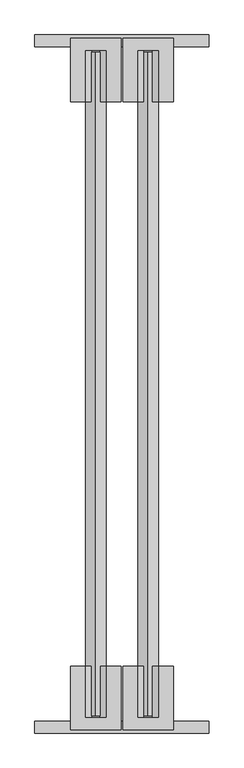
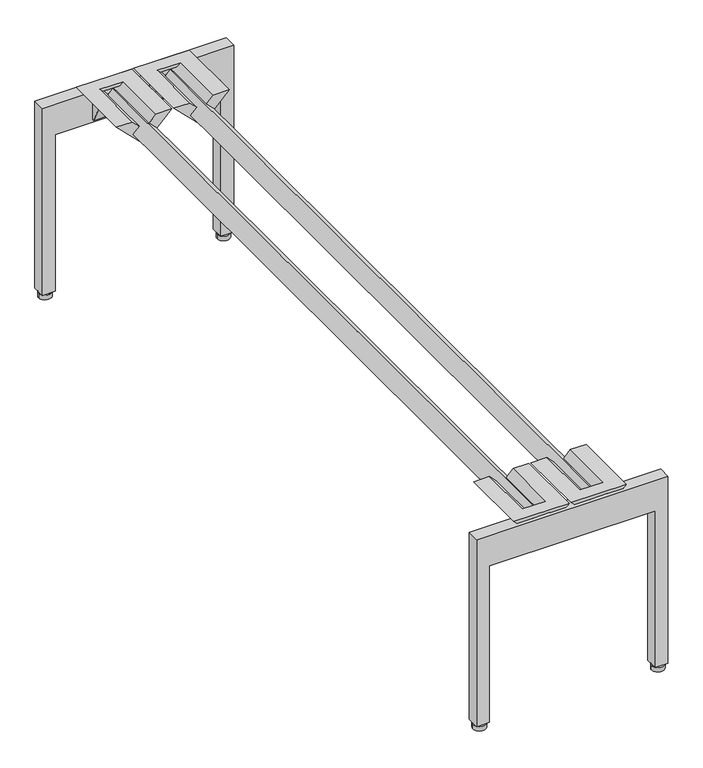
"""IFC4 building model written with IfcOpenShell, lengths in millimetres: furniture geometry."""

import ifcopenshell
import ifcopenshell.guid

model = None  # the IFC model being written
_history = None  # IfcOwnerHistory: only IFC2X3 demands one
_inside = {}  # id of a spatial element -> (the spatial element, [elements in it])
_under = {}  # id of a project, library or spatial element -> (it, [spatial elements below it])
_declared = {}  # id of a project -> (the project, [libraries it declares])
_typed = {}  # id of a type object -> (the type object, [elements of that type])
_made_of = {}  # id of a material, layer set ... -> (it, [elements and type objects made of it])


def new_model(schema):
    """Start an empty IFC model of exactly this schema.

    Asked for "IFC4X3", IfcOpenShell would pick the latest addendum, in which some entities
    have other attributes; the version numbers below select the first issue.
    IFC2X3 requires an IfcOwnerHistory on every rooted entity: one is made here for all.
    """
    global model, _history
    if schema == "IFC4X3":
        model = ifcopenshell.file(schema_version=(4, 3, 0, 0))
    else:
        model = ifcopenshell.file(schema=schema)
    _inside.clear()
    _under.clear()
    _declared.clear()
    _typed.clear()
    _made_of.clear()
    _history = None
    if model.schema == "IFC2X3":
        org = make("IfcOrganization", Name="unknown")
        user = make(
            "IfcPersonAndOrganization",
            ThePerson=make("IfcPerson", FamilyName="unknown"),
            TheOrganization=org,
        )
        app = make(
            "IfcApplication",
            ApplicationDeveloper=org,
            Version="unknown",
            ApplicationFullName="unknown",
            ApplicationIdentifier="unknown",
        )
        _history = make(
            "IfcOwnerHistory",
            OwningUser=user,
            OwningApplication=app,
            ChangeAction="ADDED",
            CreationDate=0,
        )
    return model


def make(cls, **values):
    """One entity of the class cls with the attributes given. An attribute that is None is left unset."""
    return model.create_entity(
        cls, **{name: value for name, value in values.items() if value is not None}
    )


def rooted(cls, **values):
    """An entity with a GlobalId (a new one), such as an element, a storey or a relation."""
    return make(cls, GlobalId=ifcopenshell.guid.new(), OwnerHistory=_history, **values)


def si_unit(unit_type, name, prefix=None):
    """IfcSIUnit, for example si_unit("LENGTHUNIT", "METRE", prefix="MILLI")."""
    return make("IfcSIUnit", UnitType=unit_type, Prefix=prefix, Name=name)


def assignment(units):
    """IfcUnitAssignment: the units of a project."""
    return None if units is None else make("IfcUnitAssignment", Units=units)


def point(xyz):
    """IfcCartesianPoint."""
    return None if xyz is None else make("IfcCartesianPoint", Coordinates=xyz)


def direction(xyz):
    """IfcDirection."""
    return None if xyz is None else make("IfcDirection", DirectionRatios=xyz)


def frame(location, z_axis=None, x_axis=None):
    """IfcAxis2Placement3D, a coordinate frame: its origin and axes. An axis left out is left unset."""
    return make(
        "IfcAxis2Placement3D",
        Location=point(location),
        Axis=direction(z_axis),
        RefDirection=direction(x_axis),
    )


def frame_2d(location, x_axis=None):
    """IfcAxis2Placement2D, a coordinate frame in the plane: its origin and x axis."""
    return make(
        "IfcAxis2Placement2D", Location=point(location), RefDirection=direction(x_axis)
    )


def origin():
    """The frame at (0, 0, 0) with its axes left unset."""
    return frame((0.0, 0.0, 0.0))


def origin_with_axes():
    """The frame at (0, 0, 0) with the z axis (0, 0, 1) and the x axis (1, 0, 0) written out."""
    return frame((0.0, 0.0, 0.0), z_axis=(0.0, 0.0, 1.0), x_axis=(1.0, 0.0, 0.0))


def place(relative_to, where):
    """IfcLocalPlacement: puts the frame where relative to a parent placement (None: the world)."""
    return make(
        "IfcLocalPlacement", PlacementRelTo=relative_to, RelativePlacement=where
    )


def context(
    kind, dimensions, precision=None, world=None, true_north=None, identifier=None
):
    """IfcGeometricRepresentationContext, for example the 3D "Model" context."""
    return make(
        "IfcGeometricRepresentationContext",
        ContextIdentifier=identifier,
        ContextType=kind,
        CoordinateSpaceDimension=dimensions,
        Precision=precision,
        WorldCoordinateSystem=world,
        TrueNorth=true_north,
    )


def project(units=None, contexts=None):
    """IfcProject with its units and contexts."""
    return rooted(
        "IfcProject",
        Name="project",
        RepresentationContexts=contexts,
        UnitsInContext=assignment(units),
    )


def spatial(cls, under=None, at=None, **own):
    """A site, building, storey or space (cls), placed at a placement, below another one or the project."""
    s = rooted(cls, ObjectPlacement=at, **own)
    if under is not None:
        _under.setdefault(under.id(), (under, []))[1].append(s)
    return s


def polyline(points):
    """IfcPolyline through the points."""
    return make("IfcPolyline", Points=[point(p) for p in points])


def circle_curve(where, radius):
    """IfcCircle in the frame where."""
    return make("IfcCircle", Position=where, Radius=radius)


def trimmed(basis, trim1, trim2, sense, master):
    """IfcTrimmedCurve: the piece of a basis curve between two trims."""
    return make(
        "IfcTrimmedCurve",
        BasisCurve=basis,
        Trim1=trim1,
        Trim2=trim2,
        SenseAgreement=sense,
        MasterRepresentation=master,
    )


def segment(curve, same_sense, transition):
    """IfcCompositeCurveSegment."""
    return make(
        "IfcCompositeCurveSegment",
        Transition=transition,
        SameSense=same_sense,
        ParentCurve=curve,
    )


def composite_curve(segments, self_intersect=None):
    """IfcCompositeCurve: segments joined end to end."""
    return make("IfcCompositeCurve", Segments=segments, SelfIntersect=self_intersect)


def outline(outer, holes=None, kind="AREA"):
    """IfcArbitraryClosedProfileDef: a profile drawn as a closed curve; with holes, ...WithVoids."""
    if holes is None:
        return make("IfcArbitraryClosedProfileDef", ProfileType=kind, OuterCurve=outer)
    return make(
        "IfcArbitraryProfileDefWithVoids",
        ProfileType=kind,
        OuterCurve=outer,
        InnerCurves=holes,
    )


def extrude(swept, where, along, depth):
    """IfcExtrudedAreaSolid: the profile swept, set in the frame where, extruded along a direction by depth."""
    return make(
        "IfcExtrudedAreaSolid",
        SweptArea=swept,
        Position=where,
        ExtrudedDirection=direction(along),
        Depth=depth,
    )


def faces_of(points, faces, orient=None, outer=None):
    """IfcFace entities. A face is a list of loops; a loop is a list of indices into points, from 0.

    orient and outer hold one flag for each loop. By default every Orientation is true, the
    first loop of a face is its IfcFaceOuterBound and the others are IfcFaceBound.
    """
    made = []
    for i, loops in enumerate(faces):
        bounds = []
        for j, loop in enumerate(loops):
            is_outer = j == 0 if outer is None else outer[i][j]
            bounds.append(
                make(
                    "IfcFaceOuterBound" if is_outer else "IfcFaceBound",
                    Bound=make("IfcPolyLoop", Polygon=[points[k] for k in loop]),
                    Orientation=True if orient is None else orient[i][j],
                )
            )
        made.append(make("IfcFace", Bounds=bounds))
    return made


def faceted_brep(points, faces, orient=None, outer=None, voids=None):
    """IfcFacetedBrep: a solid bounded by flat faces; with voids (closed shells), ...WithVoids."""
    shared = [point(p) for p in points]
    hull = make("IfcClosedShell", CfsFaces=faces_of(shared, faces, orient, outer))
    if voids is None:
        return make("IfcFacetedBrep", Outer=hull)
    return make(
        "IfcFacetedBrepWithVoids",
        Outer=hull,
        Voids=[
            make(cls, CfsFaces=faces_of(shared, fs, o, b)) for cls, fs, o, b in voids
        ],
    )


def shape(context_of_items, identifier, shape_type, items):
    """IfcShapeRepresentation: the items that make up one representation, for example the "Body"."""
    return make(
        "IfcShapeRepresentation",
        ContextOfItems=context_of_items,
        RepresentationIdentifier=identifier,
        RepresentationType=shape_type,
        Items=items,
    )


def source(mapping_origin, context_of_items, identifier, shape_type, items):
    """IfcRepresentationMap: a shape defined once, which mapped items show again and again."""
    return make(
        "IfcRepresentationMap",
        MappingOrigin=mapping_origin,
        MappedRepresentation=shape(context_of_items, identifier, shape_type, items),
    )


def transform(
    local_origin,
    x_axis=None,
    y_axis=None,
    z_axis=None,
    scale=None,
    scale2=None,
    scale3=None,
    uniform=True,
):
    """IfcCartesianTransformationOperator3D, or its non-uniform kind. x_axis, y_axis, z_axis: its Axis1, 2, 3."""
    if uniform:
        return make(
            "IfcCartesianTransformationOperator3D",
            Axis1=direction(x_axis),
            Axis2=direction(y_axis),
            LocalOrigin=point(local_origin),
            Scale=scale,
            Axis3=direction(z_axis),
        )
    return make(
        "IfcCartesianTransformationOperator3DnonUniform",
        Axis1=direction(x_axis),
        Axis2=direction(y_axis),
        LocalOrigin=point(local_origin),
        Scale=scale,
        Axis3=direction(z_axis),
        Scale2=scale2,
        Scale3=scale3,
    )


def mapped(mapping_source, mapping_target):
    """IfcMappedItem: shows the shape of a source again, moved by a transform."""
    return make(
        "IfcMappedItem", MappingSource=mapping_source, MappingTarget=mapping_target
    )


def made_of(thing, what):
    """Note that an element or type object is made of a material, layer set ...; save() writes the relation."""
    if what is not None:
        _made_of.setdefault(what.id(), (what, []))[1].append(thing)
    return thing


def element(
    cls,
    number,
    at=None,
    inside=None,
    cuts=None,
    type_object=None,
    material=None,
    context=None,
    identifier="Body",
    shape_type=None,
    held_by="IfcProductDefinitionShape",
    body=None,
    shapes=None,
    **own,
):
    """One element of the class cls, such as IfcWall. Its Tag is "e" and its number.

    at: its placement. inside: the storey or other place that contains it. cuts: it is an
    opening in that element (IfcRelVoidsElement). A single representation is given by context,
    identifier, shape_type and body (its items); several are given by shapes. held_by: the class
    of the entity that holds the representations. save() writes the other relations.
    """
    e = rooted(cls, Tag="e%d" % number, ObjectPlacement=at, **own)
    if body is not None:
        shapes = [shape(context, identifier, shape_type, body)]
    if shapes is not None:
        e.Representation = make(held_by, Representations=shapes)
    if inside is not None:
        _inside.setdefault(inside.id(), (inside, []))[1].append(e)
    if cuts is not None:
        rooted(
            "IfcRelVoidsElement", RelatingBuildingElement=cuts, RelatedOpeningElement=e
        )
    if type_object is not None:
        _typed.setdefault(type_object.id(), (type_object, []))[1].append(e)
    return made_of(e, material)


def aggregate(whole, parts):
    """IfcRelAggregates: a whole, such as a stair, and the parts it consists of."""
    return rooted("IfcRelAggregates", RelatingObject=whole, RelatedObjects=parts)


def save(model, path):
    """Write the relations noted so far, then the file.

    IfcRelAggregates (storeys below a building ...), IfcRelContainedInSpatialStructure (elements
    in a storey), IfcRelDefinesByType, IfcRelAssociatesMaterial and IfcRelDeclares: one each for
    every whole, place, type object, material and project.
    """
    for whole, parts in _under.values():
        aggregate(whole, parts)
    for where, things in _inside.values():
        rooted(
            "IfcRelContainedInSpatialStructure",
            RelatedElements=things,
            RelatingStructure=where,
        )
    for kind, things in _typed.values():
        rooted("IfcRelDefinesByType", RelatedObjects=things, RelatingType=kind)
    for what, things in _made_of.values():
        rooted("IfcRelAssociatesMaterial", RelatedObjects=things, RelatingMaterial=what)
    for by, libraries in _declared.values():
        rooted("IfcRelDeclares", RelatingContext=by, RelatedDefinitions=libraries)
    model.write(path)


def furniture_aaad22f6(model_context):
    return source(origin(), model_context, "Body", "SolidModel", [
        extrude(outline(composite_curve([segment(trimmed(circle_curve(frame_2d((368.2999996, -1511.2999999)), 3.9687499), [point((372.2687495, -1511.2999999))], [point((364.3312497, -1511.2999999))], False, "CARTESIAN"), True, "CONTINUOUS"), segment(trimmed(circle_curve(frame_2d((368.2999996, -1511.2999999)), 3.9687499), [point((364.3312497, -1511.2999999))], [point((372.2687495, -1511.2999999))], False, "CARTESIAN"), True, "CONTINUOUS")], self_intersect=False)), frame((0.0, 0.0, 9.525), z_axis=(0.0, 0.0, 1.0), x_axis=(1.0, 0.0, 0.0)), (0.0, 0.0, 1.0), 3.1750004),
        extrude(outline(composite_curve([segment(trimmed(circle_curve(frame_2d((368.2999996, -1511.2999996)), 12.7000004), [point((381.0, -1511.2999996))], [point((355.5999992, -1511.2999996))], False, "CARTESIAN"), True, "CONTINUOUS"), segment(trimmed(circle_curve(frame_2d((368.2999996, -1511.2999996)), 12.7000004), [point((355.5999992, -1511.2999996))], [point((381.0, -1511.2999996))], False, "CARTESIAN"), True, "CONTINUOUS")], self_intersect=False)), origin_with_axes(), (0.0, 0.0, 1.0), 9.525),
        faceted_brep([(192.4050254, -1377.9522285, 412.7499879), (224.1549952, -1377.9522285, 412.7499879), (237.8993597, -1377.9522285, 399.0056233), (225.1993586, -1377.9522285, 386.3056404), (247.6500091, -1377.9522285, 363.8549982), (270.1006464, -1377.9522285, 386.3056355), (257.4006403, -1377.9522285, 399.0056233), (271.1450048, -1377.9522285, 412.7499879), (302.8949746, -1377.9522285, 412.7499879), (247.65, -1377.9522285, 357.5050133), (192.4050254, -1516.3847672, 412.7499879), (247.65, -1516.3847672, 357.5050133), (302.8949746, -1516.3847672, 412.7499879), (257.4006403, -1516.3847672, 399.0056233), (270.1006464, -1516.3847672, 386.3056355), (247.6500091, -1516.3847672, 363.8549982), (225.1993586, -1516.3847672, 386.3056404), (237.8993597, -1516.3847672, 399.0056233), (230.5049709, -1516.3847672, 406.4000121), (264.7950291, -1516.3847672, 406.4000121), (247.65, -1489.5509835, 357.5050133), (214.2753111, -1473.589187, 390.8797022), (214.2753111, -1498.5999992, 390.8797022), (247.65, -1498.5999992, 357.5050133), (280.9503111, -1498.5999992, 390.8053245), (280.9503111, -1473.624759, 390.8053245), (270.1006464, -1498.5999992, 386.3056355), (247.6500091, -1498.5999992, 363.8549982), (247.6500091, -1486.5140364, 363.8549982), (270.1006464, -1475.7767826, 386.3056355), (225.1993586, -1498.5999992, 386.3056404), (225.1993586, -1475.7767803, 386.3056404), (271.1450048, -1490.9822252, 412.7499879), (224.1549952, -1490.9822252, 412.7499879), (264.7950291, -1490.9822252, 406.4000121), (264.7128134, -1473.1999985, 391.6934607), (264.7128134, -1498.5999992, 391.6934607), (230.5871866, -1498.5999992, 391.6934607), (230.5871866, -1473.1999985, 391.6934607), (230.5049709, -1490.9822252, 406.4000121), (280.9503111, -1493.5199995, 349.2061558), (280.9503111, -1498.5999992, 349.2061558), (214.2753111, -1498.5999992, 349.2061558), (214.2753111, -1493.5199995, 349.2061558)], [[[0, 1, 2, 3, 4, 5, 6, 7, 8, 9]], [[10, 11, 12], [13, 14, 15, 16, 17, 18, 19]], [[9, 20, 21, 22, 23, 11, 10, 0]], [[12, 11, 23, 24, 25, 20, 9, 8]], [[14, 26, 27, 15]], [[4, 28, 29, 5]], [[15, 27, 30, 16]], [[3, 31, 28, 4]], [[7, 32, 33, 1, 0, 10, 12, 8]], [[6, 13, 19, 34, 32, 7]], [[5, 29, 35, 36, 26, 14, 13, 6]], [[2, 17, 16, 30, 37, 38, 31, 3]], [[1, 33, 39, 18, 17, 2]], [[40, 25, 24, 41]], [[42, 22, 21, 43]], [[37, 30, 27, 26, 36]], [[41, 24, 23, 22, 42]], [[36, 35, 38, 37]], [[35, 29, 28, 31, 38]], [[43, 21, 20, 25, 40]], [[41, 42, 43, 40]], [[32, 34, 39, 33]], [[18, 39, 34, 19]]]),
        faceted_brep([(78.1050254, -1377.9522285, 412.7499879), (109.8550042, -1377.9522285, 412.7499879), (123.5993597, -1377.9522285, 399.0056233), (110.8993631, -1377.9522285, 386.3056358), (133.3500091, -1377.9522285, 363.8549982), (155.8006464, -1377.9522285, 386.3056355), (143.1006403, -1377.9522285, 399.0056233), (156.8450048, -1377.9522285, 412.7499879), (188.5949746, -1377.9522285, 412.7499879), (133.35, -1377.9522285, 357.5050133), (78.1050254, -1516.3847672, 412.7499879), (133.35, -1516.3847672, 357.5050133), (188.5949746, -1516.3847672, 412.7499879), (143.1006403, -1516.3847672, 399.0056233), (155.8006464, -1516.3847672, 386.3056355), (133.3500091, -1516.3847672, 363.8549982), (110.8993631, -1516.3847672, 386.3056358), (123.5993597, -1516.3847672, 399.0056233), (116.2049758, -1516.3847672, 406.4000121), (150.4950291, -1516.3847672, 406.4000121), (133.35, -1489.5509835, 357.5050133), (99.9753021, -1473.5891827, 390.8797113), (99.9753021, -1498.5999992, 390.8797113), (133.35, -1498.5999992, 357.5050133), (166.6503111, -1498.5999992, 390.8053245), (166.6503111, -1473.624759, 390.8053245), (155.8006464, -1498.5999992, 386.3056355), (133.3500091, -1498.5999992, 363.8549982), (133.3500091, -1486.5140364, 363.8549982), (155.8006464, -1475.7767826, 386.3056355), (110.8993631, -1498.5999992, 386.3056358), (110.8993631, -1475.7767825, 386.3056358), (156.8450048, -1490.9822252, 412.7499879), (109.8550042, -1490.9822252, 412.7499879), (150.4950291, -1490.9822252, 406.4000121), (150.4128134, -1473.1999985, 391.6934607), (150.4128134, -1498.5999992, 391.6934607), (116.2871918, -1498.5999992, 391.6934607), (116.2871918, -1473.1999985, 391.6934607), (116.2049758, -1490.9822252, 406.4000121), (166.6503111, -1493.5199995, 349.2061558), (166.6503111, -1498.5999992, 349.2061558), (99.9753021, -1498.5999992, 349.2061558), (99.9753021, -1493.5199995, 349.2061558)], [[[0, 1, 2, 3, 4, 5, 6, 7, 8, 9]], [[10, 11, 12], [13, 14, 15, 16, 17, 18, 19]], [[9, 20, 21, 22, 23, 11, 10, 0]], [[12, 11, 23, 24, 25, 20, 9, 8]], [[14, 26, 27, 15]], [[4, 28, 29, 5]], [[15, 27, 30, 16]], [[3, 31, 28, 4]], [[7, 32, 33, 1, 0, 10, 12, 8]], [[6, 13, 19, 34, 32, 7]], [[5, 29, 35, 36, 26, 14, 13, 6]], [[2, 17, 16, 30, 37, 38, 31, 3]], [[1, 33, 39, 18, 17, 2]], [[40, 25, 24, 41]], [[42, 22, 21, 43]], [[37, 30, 27, 26, 36]], [[41, 24, 23, 22, 42]], [[36, 35, 38, 37]], [[35, 29, 28, 31, 38]], [[43, 21, 20, 25, 40]], [[41, 42, 43, 40]], [[32, 34, 39, 33]], [[18, 39, 34, 19]]]),
        extrude(outline(polyline([(12.7000004, 0.0), (12.7000004, 25.4000008), (342.9, 25.4000008), (342.9, 355.5999879), (12.7000004, 355.5999879), (12.7000004, 381.0), (406.4000121, 381.0), (406.4000121, 0.0), (12.7000004, 0.0)])), frame((0.0, -1524.0, 0.0), z_axis=(0.0, 1.0, 0.0), x_axis=(0.0, 0.0, 1.0)), (0.0, 0.0, 1.0), 25.4000008),
        extrude(outline(composite_curve([segment(trimmed(circle_curve(frame_2d((12.7000004, -1511.2999999)), 3.9687499), [point((16.6687503, -1511.2999999))], [point((8.7312505, -1511.2999999))], False, "CARTESIAN"), True, "CONTINUOUS"), segment(trimmed(circle_curve(frame_2d((12.7000004, -1511.2999999)), 3.9687499), [point((8.7312505, -1511.2999999))], [point((16.6687503, -1511.2999999))], False, "CARTESIAN"), True, "CONTINUOUS")], self_intersect=False)), frame((0.0, 0.0, 9.525), z_axis=(0.0, 0.0, 1.0), x_axis=(1.0, 0.0, 0.0)), (0.0, 0.0, 1.0), 3.1750004),
        extrude(outline(composite_curve([segment(trimmed(circle_curve(frame_2d((12.7000004, -1511.2999996)), 12.7000004), [point((25.4000008, -1511.2999996))], [point((0.0, -1511.2999996))], False, "CARTESIAN"), True, "CONTINUOUS"), segment(trimmed(circle_curve(frame_2d((12.7000004, -1511.2999996)), 12.7000004), [point((0.0, -1511.2999996))], [point((25.4000008, -1511.2999996))], False, "CARTESIAN"), True, "CONTINUOUS")], self_intersect=False)), origin_with_axes(), (0.0, 0.0, 1.0), 9.525),
        extrude(outline(composite_curve([segment(trimmed(circle_curve(frame_2d((368.2999996, -12.7000001)), 3.9687499), [point((372.2687495, -12.7000001))], [point((364.3312497, -12.7000001))], False, "CARTESIAN"), True, "CONTINUOUS"), segment(trimmed(circle_curve(frame_2d((368.2999996, -12.7000001)), 3.9687499), [point((364.3312497, -12.7000001))], [point((372.2687495, -12.7000001))], False, "CARTESIAN"), True, "CONTINUOUS")], self_intersect=False)), frame((0.0, 0.0, 9.525), z_axis=(0.0, 0.0, 1.0), x_axis=(1.0, 0.0, 0.0)), (0.0, 0.0, 1.0), 3.1750004),
        extrude(outline(composite_curve([segment(trimmed(circle_curve(frame_2d((368.2999996, -12.7000004)), 12.7000004), [point((381.0, -12.7000004))], [point((355.5999992, -12.7000004))], False, "CARTESIAN"), True, "CONTINUOUS"), segment(trimmed(circle_curve(frame_2d((368.2999996, -12.7000004)), 12.7000004), [point((355.5999992, -12.7000004))], [point((381.0, -12.7000004))], False, "CARTESIAN"), True, "CONTINUOUS")], self_intersect=False)), origin_with_axes(), (0.0, 0.0, 1.0), 9.525),
        faceted_brep([(192.4050254, -146.0477715, 412.7499879), (247.65, -146.0477715, 357.5050133), (302.8949746, -146.0477715, 412.7499879), (271.1450048, -146.0477715, 412.7499879), (257.4006403, -146.0477715, 399.0056233), (270.1006464, -146.0477715, 386.3056355), (247.6500091, -146.0477715, 363.8549982), (225.1993586, -146.0477715, 386.3056404), (237.8993597, -146.0477715, 399.0056233), (224.1549952, -146.0477715, 412.7499879), (192.4050254, -7.6152328, 412.7499879), (302.8949746, -7.6152328, 412.7499879), (247.65, -7.6152328, 357.5050133), (257.4006403, -7.6152328, 399.0056233), (264.7950291, -7.6152328, 406.4000121), (230.5049709, -7.6152328, 406.4000121), (237.8993597, -7.6152328, 399.0056233), (225.1993586, -7.6152328, 386.3056404), (247.6500091, -7.6152328, 363.8549982), (270.1006464, -7.6152328, 386.3056355), (247.65, -25.4000008, 357.5050133), (214.2753111, -25.4000008, 390.8797022), (214.2753111, -50.410813, 390.8797022), (247.65, -34.4490165, 357.5050133), (280.9503111, -50.375241, 390.8053245), (280.9503111, -25.4000008, 390.8053245), (270.1006464, -48.2232174, 386.3056355), (247.6500091, -37.4859636, 363.8549982), (247.6500091, -25.4000008, 363.8549982), (270.1006464, -25.4000008, 386.3056355), (225.1993586, -48.2232197, 386.3056404), (225.1993586, -25.4000008, 386.3056404), (224.1549952, -33.0177748, 412.7499879), (271.1450048, -33.0177748, 412.7499879), (264.7950291, -33.0177748, 406.4000121), (264.7128134, -25.4000008, 391.6934607), (264.7128134, -50.8000015, 391.6934607), (230.5871866, -50.8000015, 391.6934607), (230.5871866, -25.4000008, 391.6934607), (230.5049709, -33.0177748, 406.4000121), (280.9503111, -30.4800005, 349.2061558), (280.9503111, -25.4000008, 349.2061558), (214.2753111, -25.4000008, 349.2061558), (214.2753111, -30.4800005, 349.2061558)], [[[0, 1, 2, 3, 4, 5, 6, 7, 8, 9]], [[10, 11, 12], [13, 14, 15, 16, 17, 18, 19]], [[1, 0, 10, 12, 20, 21, 22, 23]], [[11, 2, 1, 23, 24, 25, 20, 12]], [[6, 5, 26, 27]], [[19, 18, 28, 29]], [[7, 6, 27, 30]], [[18, 17, 31, 28]], [[3, 2, 11, 10, 0, 9, 32, 33]], [[4, 3, 33, 34, 14, 13]], [[5, 4, 13, 19, 29, 35, 36, 26]], [[8, 7, 30, 37, 38, 31, 17, 16]], [[9, 8, 16, 15, 39, 32]], [[40, 41, 25, 24]], [[42, 43, 22, 21]], [[41, 42, 21, 20, 25]], [[38, 35, 29, 28, 31]], [[35, 38, 37, 36]], [[36, 37, 30, 27, 26]], [[43, 40, 24, 23, 22]], [[41, 40, 43, 42]], [[33, 32, 39, 34]], [[15, 14, 34, 39]]]),
        faceted_brep([(78.1050254, -146.0477715, 412.7499879), (133.35, -146.0477715, 357.5050133), (188.5949746, -146.0477715, 412.7499879), (156.8450048, -146.0477715, 412.7499879), (143.1006403, -146.0477715, 399.0056233), (155.8006464, -146.0477715, 386.3056355), (133.3500091, -146.0477715, 363.8549982), (110.8993631, -146.0477715, 386.3056358), (123.5993597, -146.0477715, 399.0056233), (109.8550042, -146.0477715, 412.7499879), (78.1050254, -7.6152328, 412.7499879), (188.5949746, -7.6152328, 412.7499879), (133.35, -7.6152328, 357.5050133), (143.1006403, -7.6152328, 399.0056233), (150.4950291, -7.6152328, 406.4000121), (116.2049758, -7.6152328, 406.4000121), (123.5993597, -7.6152328, 399.0056233), (110.8993631, -7.6152328, 386.3056358), (133.3500091, -7.6152328, 363.8549982), (155.8006464, -7.6152328, 386.3056355), (133.35, -25.4000008, 357.5050133), (99.9753021, -25.4000008, 390.8797113), (99.9753021, -50.4108173, 390.8797113), (133.35, -34.4490165, 357.5050133), (166.6503111, -50.375241, 390.8053245), (166.6503111, -25.4000008, 390.8053245), (155.8006464, -48.2232174, 386.3056355), (133.3500091, -37.4859636, 363.8549982), (133.3500091, -25.4000008, 363.8549982), (155.8006464, -25.4000008, 386.3056355), (110.8993631, -48.2232175, 386.3056358), (110.8993631, -25.4000008, 386.3056358), (109.8550042, -33.0177748, 412.7499879), (156.8450048, -33.0177748, 412.7499879), (150.4950291, -33.0177748, 406.4000121), (150.4128134, -25.4000008, 391.6934607), (150.4128134, -50.8000015, 391.6934607), (116.2871918, -50.8000015, 391.6934607), (116.2871918, -25.4000008, 391.6934607), (116.2049758, -33.0177748, 406.4000121), (166.6503111, -30.4800005, 349.2061558), (166.6503111, -25.4000008, 349.2061558), (99.9753021, -25.4000008, 349.2061558), (99.9753021, -30.4800005, 349.2061558)], [[[0, 1, 2, 3, 4, 5, 6, 7, 8, 9]], [[10, 11, 12], [13, 14, 15, 16, 17, 18, 19]], [[1, 0, 10, 12, 20, 21, 22, 23]], [[11, 2, 1, 23, 24, 25, 20, 12]], [[6, 5, 26, 27]], [[19, 18, 28, 29]], [[7, 6, 27, 30]], [[18, 17, 31, 28]], [[3, 2, 11, 10, 0, 9, 32, 33]], [[4, 3, 33, 34, 14, 13]], [[5, 4, 13, 19, 29, 35, 36, 26]], [[8, 7, 30, 37, 38, 31, 17, 16]], [[9, 8, 16, 15, 39, 32]], [[40, 41, 25, 24]], [[42, 43, 22, 21]], [[41, 42, 21, 20, 25]], [[38, 35, 29, 28, 31]], [[35, 38, 37, 36]], [[36, 37, 30, 27, 26]], [[43, 40, 24, 23, 22]], [[41, 40, 43, 42]], [[33, 32, 39, 34]], [[15, 14, 34, 39]]]),
        extrude(outline(polyline([(12.7000004, 0.0), (12.7000004, 25.4000008), (342.9, 25.4000008), (342.9, 355.5999879), (12.7000004, 355.5999879), (12.7000004, 381.0), (406.4000121, 381.0), (406.4000121, 0.0), (12.7000004, 0.0)])), frame((0.0, -25.4000008, 0.0), z_axis=(0.0, 1.0, 0.0), x_axis=(0.0, 0.0, 1.0)), (0.0, 0.0, 1.0), 25.4000008),
        extrude(outline(composite_curve([segment(trimmed(circle_curve(frame_2d((12.7000004, -12.7000001)), 3.9687499), [point((16.6687503, -12.7000001))], [point((8.7312505, -12.7000001))], False, "CARTESIAN"), True, "CONTINUOUS"), segment(trimmed(circle_curve(frame_2d((12.7000004, -12.7000001)), 3.9687499), [point((8.7312505, -12.7000001))], [point((16.6687503, -12.7000001))], False, "CARTESIAN"), True, "CONTINUOUS")], self_intersect=False)), frame((0.0, 0.0, 9.525), z_axis=(0.0, 0.0, 1.0), x_axis=(1.0, 0.0, 0.0)), (0.0, 0.0, 1.0), 3.1750004),
        extrude(outline(composite_curve([segment(trimmed(circle_curve(frame_2d((12.7000004, -12.7000004)), 12.7000004), [point((25.4000008, -12.7000004))], [point((0.0, -12.7000004))], False, "CARTESIAN"), True, "CONTINUOUS"), segment(trimmed(circle_curve(frame_2d((12.7000004, -12.7000004)), 12.7000004), [point((0.0, -12.7000004))], [point((25.4000008, -12.7000004))], False, "CARTESIAN"), True, "CONTINUOUS")], self_intersect=False)), origin_with_axes(), (0.0, 0.0, 1.0), 9.525),
        extrude(outline(polyline([(408.7562532, 133.3499965), (386.3056358, 110.8993631), (363.8549982, 133.3500091), (386.3056355, 155.8006464), (408.7562532, 133.3499965)])), frame((0.0, -1486.0051107, 0.0), z_axis=(0.0, 1.0, 0.0), x_axis=(0.0, 0.0, 1.0)), (0.0, 0.0, 1.0), 1447.9051107),
        extrude(outline(polyline([(363.8549982, 247.6500091), (386.3056355, 270.1006464), (408.7562497, 247.65), (386.3056404, 225.1993586), (363.8549982, 247.6500091)])), frame((0.0, -1486.0051107, 0.0), z_axis=(0.0, 1.0, 0.0), x_axis=(0.0, 0.0, 1.0)), (0.0, 0.0, 1.0), 1447.9051107),
    ])


if __name__ == "__main__":
    model = new_model("IFC4")
    model_context = context("Model", 3, world=origin())
    ifc_project = project(units=[si_unit("LENGTHUNIT", "METRE", prefix="MILLI")], contexts=[model_context])
    site = spatial("IfcSite", under=ifc_project)
    building = spatial("IfcBuilding", under=site)
    placement = place(None, origin())
    furniture_shape = furniture_aaad22f6(model_context)
    element("IfcFurniture", 1, at=placement, inside=building, context=model_context, shape_type="MappedRepresentation", body=[
        mapped(furniture_shape, transform((0.0, 0.0, 0.0), x_axis=(1.0, 0.0, 0.0), y_axis=(0.0, 1.0, 0.0), z_axis=(0.0, 0.0, 1.0))),
    ])
    save(model, "model.ifc")
